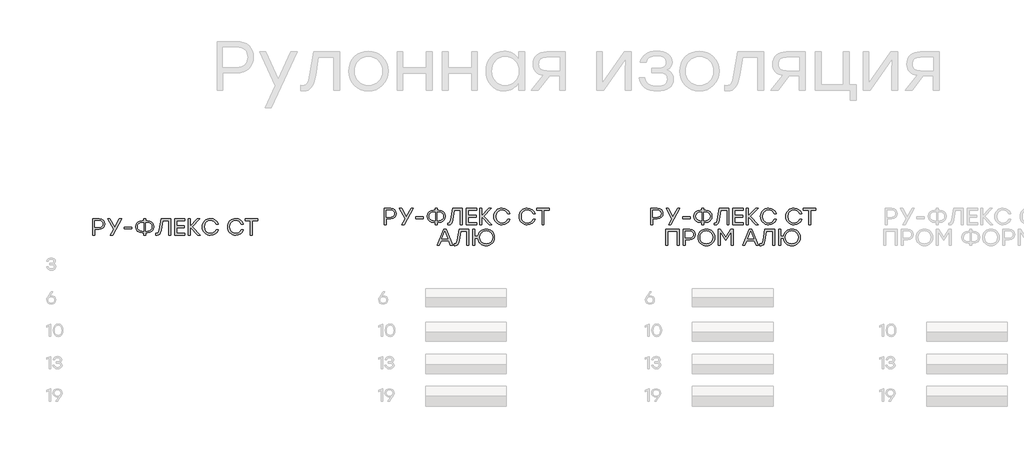
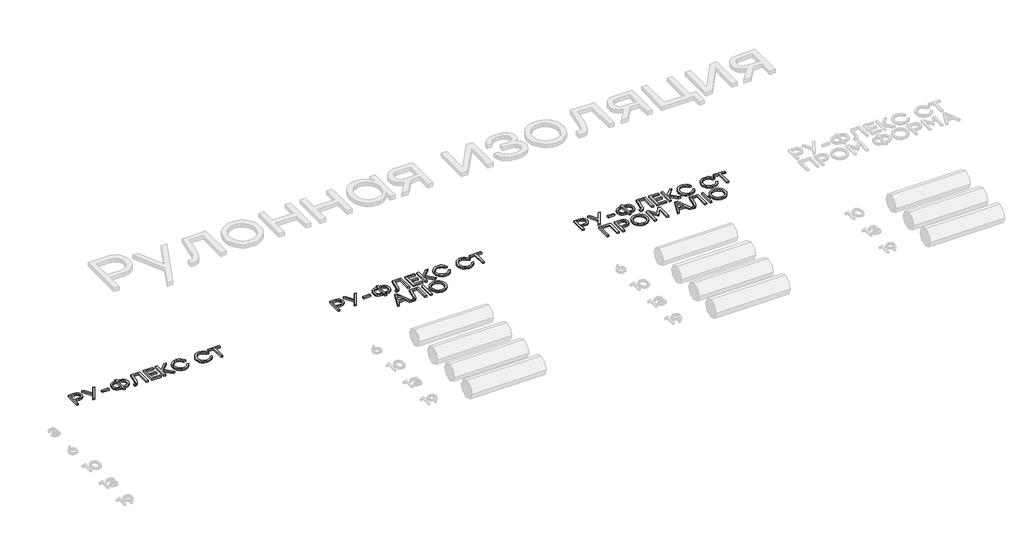
# One storey, part 39 of 41: 3 proxies.
"""IFC4 building model written with IfcOpenShell, lengths in millimetres."""

from ifc_helpers import new_model, si_unit, origin, origin_with_axes, place, context, project, spatial, polyline, outline, extrude, element, save

model = new_model("IFC4")

# Units and contexts
model_context = context("Model", 3, world=origin())
ifc_project = project(units=[si_unit("LENGTHUNIT", "METRE", prefix="MILLI")], contexts=[model_context])

# Site, building, storey
site = spatial("IfcSite", under=ifc_project)
building = spatial("IfcBuilding", under=site)
storey = spatial("IfcBuildingStorey", under=building, Elevation=0.0)

# Proxies
placement = place(None, origin())
element("IfcBuildingElementProxy", 1, Name="Generic Models", at=placement, inside=storey, context=model_context, shape_type="SweptSolid", body=[
    extrude(outline(polyline([(22078.8295884, -7492.7487549), (22107.8486602, -7497.2132275), (22129.713818, -7510.6066452), (22143.4299687, -7531.0598464), (22148.002019, -7556.7036694), (22143.3896271, -7582.7374613), (22129.5524516, -7603.6075259), (22107.6469521, -7617.3236766), (22078.8295884, -7621.8957268), (22022.2437431, -7621.8957268), (22022.2437431, -7692.7356111), (21998.5228707, -7692.7356111), (21998.5228707, -7492.7487549), (22078.8295884, -7492.7487549)]), holes=[polyline([(22077.9689671, -7599.3044198), (22097.8372149, -7596.3056927), (22112.2593439, -7587.3095115), (22121.0336462, -7573.7412801), (22123.9584136, -7557.0264023), (22121.0336462, -7540.3787606), (22112.2593439, -7527.0122372), (22097.8372149, -7518.2177641), (22077.9689671, -7515.2862731), (22022.2437431, -7515.2862731), (22022.2437431, -7599.3044198), (22077.9689671, -7599.3044198)])]), origin_with_axes(), (0.0, 0.0, 1.0), 20.0),
    extrude(outline(polyline([(22357.025398, -7492.7487549), (22243.9074963, -7692.7356111), (22217.0668719, -7692.7356111), (22258.4842682, -7620.1744844), (22185.6004086, -7492.7487549), (22212.4948217, -7492.7487549), (22271.6087418, -7594.7323695), (22330.4537178, -7492.7487549), (22357.025398, -7492.7487549)])), origin_with_axes(), (0.0, 0.0, 1.0), 20.0),
    extrude(outline(polyline([(22483.5905063, -7595.3240466), (22483.5905063, -7617.8615649), (22390.9661474, -7617.8615649), (22390.9661474, -7595.3240466), (22483.5905063, -7595.3240466)])), origin_with_axes(), (0.0, 0.0, 1.0), 20.0),
    extrude(outline(polyline([(22674.1643178, -7515.2862731), (22705.8123185, -7520.3962116), (22731.5838899, -7535.7260271), (22741.5734835, -7546.828377), (22748.7089075, -7559.6956728), (22754.4172467, -7590.725102), (22748.7425255, -7621.7545312), (22741.649124, -7634.6218269), (22731.718362, -7645.7241769), (22705.9804086, -7661.0539924), (22674.1643178, -7666.1639309), (22654.4238186, -7666.1639309), (22654.4238186, -7692.7356111), (22630.7029462, -7692.7356111), (22630.7029462, -7666.1639309), (22610.7472916, -7666.1639309), (22578.8908592, -7661.0539924), (22553.1394587, -7645.7241769), (22543.2086966, -7634.6218269), (22536.1152951, -7621.7545312), (22530.440574, -7590.725102), (22536.1556368, -7559.6956728), (22543.2994652, -7546.828377), (22553.3008251, -7535.7260271), (22579.0925673, -7520.3962116), (22610.7472916, -7515.2862731), (22630.7029462, -7515.2862731), (22630.7029462, -7492.7487549), (22654.4238186, -7492.7487549), (22654.4238186, -7515.2862731), (22674.1643178, -7515.2862731)]), holes=[polyline([(22674.1643178, -7643.5726238), (22696.7690721, -7640.1099681), (22714.8824593, -7629.7220011), (22726.7832371, -7613.0474649), (22730.7501631, -7590.725102), (22726.7832371, -7568.4027391), (22714.8824593, -7551.7282029), (22696.7690721, -7541.3402358), (22674.1643178, -7537.8775801), (22654.4238186, -7537.8775801), (22654.4238186, -7643.5726238), (22674.1643178, -7643.5726238)]), polyline([(22610.7472916, -7643.5726238), (22630.7029462, -7643.5726238), (22630.7029462, -7537.8775801), (22610.7472916, -7537.8775801), (22588.3442455, -7541.3402358), (22570.2980942, -7551.7282029), (22558.3973164, -7568.4027391), (22554.4303905, -7590.725102), (22558.3569748, -7613.0474649), (22570.1367278, -7629.7220011), (22588.1425374, -7640.1099681), (22610.7472916, -7643.5726238)])]), origin_with_axes(), (0.0, 0.0, 1.0), 20.0),
    extrude(outline(polyline([(22844.0832201, -7492.7487549), (22964.3550357, -7492.7487549), (22964.3550357, -7692.7356111), (22940.6341633, -7692.7356111), (22940.6341633, -7515.2862731), (22864.0388747, -7515.2862731), (22844.9438413, -7631.5777156), (22837.8437162, -7661.5986042), (22828.0541499, -7681.3054855), (22814.848993, -7692.2178936), (22797.5020965, -7695.855363), (22781.7957592, -7694.9947418), (22781.7957592, -7673.3178448), (22792.9300463, -7673.855733), (22803.6272991, -7671.5697079), (22811.1913528, -7664.7116326), (22821.4919131, -7630.1792061), (22844.0832201, -7492.7487549)])), origin_with_axes(), (0.0, 0.0, 1.0), 20.0),
    extrude(outline(polyline([(23140.9437524, -7515.2862731), (23037.7767836, -7515.2862731), (23037.7767836, -7578.7570881), (23134.0587827, -7578.7570881), (23134.0587827, -7601.2946064), (23037.7767836, -7601.2946064), (23037.7767836, -7670.144304), (23140.9437524, -7670.144304), (23140.9437524, -7692.7356111), (23014.0559112, -7692.7356111), (23014.0559112, -7492.7487549), (23140.9437524, -7492.7487549), (23140.9437524, -7515.2862731)])), origin_with_axes(), (0.0, 0.0, 1.0), 20.0),
    extrude(outline(polyline([(23327.5909797, -7692.7356111), (23297.0389263, -7692.7356111), (23203.016058, -7595.5929908), (23203.016058, -7692.7356111), (23179.2951856, -7692.7356111), (23179.2951856, -7492.7487549), (23203.016058, -7492.7487549), (23203.016058, -7586.4488903), (23293.9191744, -7492.7487549), (23324.2022836, -7492.7487549), (23229.5877382, -7590.7519964), (23327.5909797, -7692.7356111)])), origin_with_axes(), (0.0, 0.0, 1.0), 20.0),
    extrude(outline(polyline([(23456.630374, -7695.855363), (23435.4325337, -7694.0164575), (23416.107217, -7688.499741), (23398.6544237, -7679.3052135), (23383.074154, -7666.432875), (23370.260647, -7650.7920929), (23361.1081421, -7633.2922344), (23355.6166391, -7613.9332996), (23353.7861381, -7592.7152886), (23355.6166391, -7571.4972775), (23361.1081421, -7552.1383427), (23370.260647, -7534.6384843), (23383.074154, -7518.9977021), (23398.6544237, -7506.1253636), (23416.107217, -7496.9308361), (23435.4325337, -7491.4141196), (23456.630374, -7489.5752141), (23488.1102846, -7494.1136464), (23515.6367164, -7507.728943), (23537.3808494, -7528.982253), (23551.5138636, -7556.4347252), (23526.0717487, -7556.4347252), (23514.6080051, -7538.2272075), (23498.5049752, -7524.1614294), (23478.7577524, -7515.1652482), (23456.3614298, -7512.1665212), (23425.4597491, -7517.915202), (23400.2058952, -7535.1612444), (23383.3834398, -7561.0538407), (23377.7759546, -7592.742183), (23383.3834398, -7624.4305253), (23400.2058952, -7650.3231215), (23425.4597491, -7667.569164), (23456.3614298, -7673.3178448), (23478.7577524, -7670.3191177), (23498.5049752, -7661.3229365), (23514.6080051, -7647.2437112), (23526.0717487, -7628.9958519), (23551.5138636, -7628.9958519), (23537.3808494, -7656.4819421), (23515.6367164, -7677.7285285), (23488.1102846, -7691.3236544), (23456.630374, -7695.855363)])), origin_with_axes(), (0.0, 0.0, 1.0), 20.0),
    extrude(outline(polyline([(23769.8964983, -7695.855363), (23748.6986581, -7694.0164575), (23729.3733413, -7688.499741), (23711.9205481, -7679.3052135), (23696.3402784, -7666.432875), (23683.5267714, -7650.7920929), (23674.3742664, -7633.2922344), (23668.8827634, -7613.9332996), (23667.0522624, -7592.7152886), (23668.8827634, -7571.4972775), (23674.3742664, -7552.1383427), (23683.5267714, -7534.6384843), (23696.3402784, -7518.9977021), (23711.9205481, -7506.1253636), (23729.3733413, -7496.9308361), (23748.6986581, -7491.4141196), (23769.8964983, -7489.5752141), (23801.3764089, -7494.1136464), (23828.9028408, -7507.728943), (23850.6469738, -7528.982253), (23864.7799879, -7556.4347252), (23839.3378731, -7556.4347252), (23827.8741295, -7538.2272075), (23811.7710996, -7524.1614294), (23792.0238767, -7515.1652482), (23769.6275542, -7512.1665212), (23738.7258735, -7517.915202), (23713.4720195, -7535.1612444), (23696.6495641, -7561.0538407), (23691.042079, -7592.742183), (23696.6495641, -7624.4305253), (23713.4720195, -7650.3231215), (23738.7258735, -7667.569164), (23769.6275542, -7673.3178448), (23792.0238767, -7670.3191177), (23811.7710996, -7661.3229365), (23827.8741295, -7647.2437112), (23839.3378731, -7628.9958519), (23864.7799879, -7628.9958519), (23850.6469738, -7656.4819421), (23828.9028408, -7677.7285285), (23801.3764089, -7691.3236544), (23769.8964983, -7695.855363)])), origin_with_axes(), (0.0, 0.0, 1.0), 20.0),
    extrude(outline(polyline([(24039.701251, -7492.7487549), (24039.701251, -7515.2862731), (23975.1008706, -7515.2862731), (23975.1008706, -7692.7356111), (23951.1110541, -7692.7356111), (23951.1110541, -7515.2862731), (23886.8334067, -7515.2862731), (23886.8334067, -7492.7487549), (24039.701251, -7492.7487549)])), origin_with_axes(), (0.0, 0.0, 1.0), 20.0),
])
element("IfcBuildingElementProxy", 2, Name="Generic Models", at=placement, inside=storey, context=model_context, shape_type="SweptSolid", body=[
    extrude(outline(polyline([(25687.2580863, -7363.4876334), (25716.277158, -7367.952106), (25738.1423159, -7381.3455237), (25751.8584666, -7401.7987249), (25756.4305169, -7427.4425478), (25751.818125, -7453.4763398), (25737.9809495, -7474.3464044), (25716.0754499, -7488.0625551), (25687.2580863, -7492.6346053), (25630.672241, -7492.6346053), (25630.672241, -7563.4744896), (25606.9513686, -7563.4744896), (25606.9513686, -7363.4876334), (25687.2580863, -7363.4876334)]), holes=[polyline([(25686.397465, -7470.0432983), (25706.2657128, -7467.0445712), (25720.6878418, -7458.04839), (25729.4621441, -7444.4801586), (25732.3869115, -7427.7652808), (25729.4621441, -7411.1176391), (25720.6878418, -7397.7511157), (25706.2657128, -7388.9566426), (25686.397465, -7386.0251516), (25630.672241, -7386.0251516), (25630.672241, -7470.0432983), (25686.397465, -7470.0432983)])]), origin_with_axes(), (0.0, 0.0, 1.0), 20.0),
    extrude(outline(polyline([(25965.4538959, -7363.4876334), (25852.3359942, -7563.4744896), (25825.4953698, -7563.4744896), (25866.9127661, -7490.9133629), (25794.0289065, -7363.4876334), (25820.9233196, -7363.4876334), (25880.0372397, -7465.471248), (25938.8822157, -7363.4876334), (25965.4538959, -7363.4876334)])), origin_with_axes(), (0.0, 0.0, 1.0), 20.0),
    extrude(outline(polyline([(26092.0190041, -7466.0629251), (26092.0190041, -7488.6004433), (25999.3946453, -7488.6004433), (25999.3946453, -7466.0629251), (26092.0190041, -7466.0629251)])), origin_with_axes(), (0.0, 0.0, 1.0), 20.0),
    extrude(outline(polyline([(26282.5928157, -7386.0251516), (26314.2408164, -7391.1350901), (26340.0123878, -7406.4649056), (26350.0019814, -7417.5672555), (26357.1374054, -7430.4345513), (26362.8457446, -7461.4639805), (26357.1710234, -7492.4934096), (26350.0776219, -7505.3607054), (26340.1468599, -7516.4630554), (26314.4089065, -7531.7928709), (26282.5928157, -7536.9028094), (26262.8523165, -7536.9028094), (26262.8523165, -7563.4744896), (26239.1314441, -7563.4744896), (26239.1314441, -7536.9028094), (26219.1757895, -7536.9028094), (26187.3193571, -7531.7928709), (26161.5679565, -7516.4630554), (26151.6371945, -7505.3607054), (26144.543793, -7492.4934096), (26138.8690719, -7461.4639805), (26144.5841346, -7430.4345513), (26151.7279631, -7417.5672555), (26161.729323, -7406.4649056), (26187.5210652, -7391.1350901), (26219.1757895, -7386.0251516), (26239.1314441, -7386.0251516), (26239.1314441, -7363.4876334), (26262.8523165, -7363.4876334), (26262.8523165, -7386.0251516), (26282.5928157, -7386.0251516)]), holes=[polyline([(26282.5928157, -7514.3115023), (26305.19757, -7510.8488466), (26323.3109572, -7500.4608795), (26335.211735, -7483.7863434), (26339.178661, -7461.4639805), (26335.211735, -7439.1416176), (26323.3109572, -7422.4670814), (26305.19757, -7412.0791143), (26282.5928157, -7408.6164586), (26262.8523165, -7408.6164586), (26262.8523165, -7514.3115023), (26282.5928157, -7514.3115023)]), polyline([(26219.1757895, -7514.3115023), (26239.1314441, -7514.3115023), (26239.1314441, -7408.6164586), (26219.1757895, -7408.6164586), (26196.7727434, -7412.0791143), (26178.7265921, -7422.4670814), (26166.8258143, -7439.1416176), (26162.8588884, -7461.4639805), (26166.7854727, -7483.7863434), (26178.5652257, -7500.4608795), (26196.5710353, -7510.8488466), (26219.1757895, -7514.3115023)])]), origin_with_axes(), (0.0, 0.0, 1.0), 20.0),
    extrude(outline(polyline([(26452.511718, -7363.4876334), (26572.7835336, -7363.4876334), (26572.7835336, -7563.4744896), (26549.0626612, -7563.4744896), (26549.0626612, -7386.0251516), (26472.4673725, -7386.0251516), (26453.3723392, -7502.3165941), (26446.2722141, -7532.3374827), (26436.4826478, -7552.044364), (26423.2774909, -7562.9567721), (26405.9305944, -7566.5942415), (26390.2242571, -7565.7336203), (26390.2242571, -7544.0567233), (26401.3585442, -7544.5946115), (26412.055797, -7542.3085864), (26419.6198507, -7535.4505111), (26429.9204109, -7500.9180846), (26452.511718, -7363.4876334)])), origin_with_axes(), (0.0, 0.0, 1.0), 20.0),
    extrude(outline(polyline([(26749.3722503, -7386.0251516), (26646.2052815, -7386.0251516), (26646.2052815, -7449.4959666), (26742.4872806, -7449.4959666), (26742.4872806, -7472.0334848), (26646.2052815, -7472.0334848), (26646.2052815, -7540.8831825), (26749.3722503, -7540.8831825), (26749.3722503, -7563.4744896), (26622.4844091, -7563.4744896), (26622.4844091, -7363.4876334), (26749.3722503, -7363.4876334), (26749.3722503, -7386.0251516)])), origin_with_axes(), (0.0, 0.0, 1.0), 20.0),
    extrude(outline(polyline([(26936.0194776, -7563.4744896), (26905.4674242, -7563.4744896), (26811.4445559, -7466.3318693), (26811.4445559, -7563.4744896), (26787.7236835, -7563.4744896), (26787.7236835, -7363.4876334), (26811.4445559, -7363.4876334), (26811.4445559, -7457.1877688), (26902.3476723, -7363.4876334), (26932.6307815, -7363.4876334), (26838.0162361, -7461.4908749), (26936.0194776, -7563.4744896)])), origin_with_axes(), (0.0, 0.0, 1.0), 20.0),
    extrude(outline(polyline([(27065.0588719, -7566.5942415), (27043.8610316, -7564.755336), (27024.5357149, -7559.2386195), (27007.0829216, -7550.044092), (26991.5026519, -7537.1717535), (26978.6891449, -7521.5309713), (26969.53664, -7504.0311129), (26964.045137, -7484.6721781), (26962.214636, -7463.4541671), (26964.045137, -7442.236156), (26969.53664, -7422.8772212), (26978.6891449, -7405.3773628), (26991.5026519, -7389.7365806), (27007.0829216, -7376.8642421), (27024.5357149, -7367.6697146), (27043.8610316, -7362.1529981), (27065.0588719, -7360.3140926), (27096.5387825, -7364.8525248), (27124.0652143, -7378.4678215), (27145.8093473, -7399.7211315), (27159.9423615, -7427.1736037), (27134.5002466, -7427.1736037), (27123.036503, -7408.966086), (27106.9334731, -7394.9003079), (27087.1862503, -7385.9041267), (27064.7899277, -7382.9053997), (27033.888247, -7388.6540805), (27008.6343931, -7405.9001229), (26991.8119377, -7431.7927192), (26986.2044525, -7463.4810615), (26991.8119377, -7495.1694038), (27008.6343931, -7521.062), (27033.888247, -7538.3080424), (27064.7899277, -7544.0567233), (27087.1862503, -7541.0579962), (27106.9334731, -7532.061815), (27123.036503, -7517.9825897), (27134.5002466, -7499.7347304), (27159.9423615, -7499.7347304), (27145.8093473, -7527.2208206), (27124.0652143, -7548.467407), (27096.5387825, -7562.0625329), (27065.0588719, -7566.5942415)])), origin_with_axes(), (0.0, 0.0, 1.0), 20.0),
    extrude(outline(polyline([(27378.3249962, -7566.5942415), (27357.127156, -7564.755336), (27337.8018392, -7559.2386195), (27320.349046, -7550.044092), (27304.7687763, -7537.1717535), (27291.9552693, -7521.5309713), (27282.8027643, -7504.0311129), (27277.3112613, -7484.6721781), (27275.4807603, -7463.4541671), (27277.3112613, -7442.236156), (27282.8027643, -7422.8772212), (27291.9552693, -7405.3773628), (27304.7687763, -7389.7365806), (27320.349046, -7376.8642421), (27337.8018392, -7367.6697146), (27357.127156, -7362.1529981), (27378.3249962, -7360.3140926), (27409.8049068, -7364.8525248), (27437.3313387, -7378.4678215), (27459.0754717, -7399.7211315), (27473.2084858, -7427.1736037), (27447.766371, -7427.1736037), (27436.3026274, -7408.966086), (27420.1995975, -7394.9003079), (27400.4523746, -7385.9041267), (27378.0560521, -7382.9053997), (27347.1543714, -7388.6540805), (27321.9005174, -7405.9001229), (27305.078062, -7431.7927192), (27299.4705769, -7463.4810615), (27305.078062, -7495.1694038), (27321.9005174, -7521.062), (27347.1543714, -7538.3080424), (27378.0560521, -7544.0567233), (27400.4523746, -7541.0579962), (27420.1995975, -7532.061815), (27436.3026274, -7517.9825897), (27447.766371, -7499.7347304), (27473.2084858, -7499.7347304), (27459.0754717, -7527.2208206), (27437.3313387, -7548.467407), (27409.8049068, -7562.0625329), (27378.3249962, -7566.5942415)])), origin_with_axes(), (0.0, 0.0, 1.0), 20.0),
    extrude(outline(polyline([(27648.1297489, -7363.4876334), (27648.1297489, -7386.0251516), (27583.5293685, -7386.0251516), (27583.5293685, -7563.4744896), (27559.539552, -7563.4744896), (27559.539552, -7386.0251516), (27495.2619046, -7386.0251516), (27495.2619046, -7363.4876334), (27648.1297489, -7363.4876334)])), origin_with_axes(), (0.0, 0.0, 1.0), 20.0),
    extrude(outline(polyline([(26426.5317149, -7821.9967326), (26402.8108425, -7761.9684024), (26309.9713283, -7761.9684024), (26286.2504559, -7821.9967326), (26261.131074, -7821.9967326), (26341.1150587, -7622.0098764), (26371.6671121, -7622.0098764), (26451.7048856, -7821.9967326), (26426.5317149, -7821.9967326)]), holes=[polyline([(26319.1154288, -7739.4308842), (26393.989475, -7739.4308842), (26356.5524519, -7644.5473946), (26319.1154288, -7739.4308842)])]), origin_with_axes(), (0.0, 0.0, 1.0), 20.0),
    extrude(outline(polyline([(26533.4101127, -7622.0098764), (26653.6819283, -7622.0098764), (26653.6819283, -7821.9967326), (26629.9610559, -7821.9967326), (26629.9610559, -7644.5473946), (26553.3657673, -7644.5473946), (26534.270734, -7760.8388371), (26527.1706089, -7790.8597257), (26517.3810425, -7810.566607), (26504.1758856, -7821.4790151), (26486.8289892, -7825.1164845), (26471.1226519, -7824.2558633), (26471.1226519, -7802.5789663), (26482.2569389, -7803.1168545), (26492.9541918, -7800.8308294), (26500.5182455, -7793.9727541), (26510.8188057, -7759.4403276), (26533.4101127, -7622.0098764)])), origin_with_axes(), (0.0, 0.0, 1.0), 20.0),
    extrude(outline(polyline([(26867.7076682, -7618.8363356), (26888.6953958, -7620.6853265), (26907.928263, -7626.2322993), (26925.4062698, -7635.4772538), (26941.1294161, -7648.4201901), (26954.1194176, -7664.1130802), (26963.3979902, -7681.6078959), (26968.9651337, -7700.9046374), (26970.8208482, -7722.0033045), (26968.9651337, -7743.1002907), (26963.3979902, -7762.3919894), (26954.1194176, -7779.8784007), (26941.1294161, -7795.5595244), (26925.4062698, -7808.4906945), (26907.928263, -7817.7272445), (26888.6953958, -7823.2691745), (26867.7076682, -7825.1164845), (26848.1503871, -7823.5011388), (26830.035319, -7818.6551017), (26813.3624637, -7810.5783733), (26798.1318214, -7799.2709535), (26785.1872041, -7785.482524), (26775.3724242, -7769.9627667), (26768.6874817, -7752.7116816), (26765.1323764, -7733.7292686), (26727.1036762, -7733.7292686), (26727.1036762, -7821.9967326), (26703.3828038, -7821.9967326), (26703.3828038, -7622.0098764), (26727.1036762, -7622.0098764), (26727.1036762, -7710.8690174), (26764.8634323, -7710.8690174), (26768.4168566, -7691.7353234), (26775.0967565, -7674.353128), (26784.9031319, -7658.7224312), (26797.8359828, -7644.8432332), (26813.0750297, -7633.4652155), (26829.7999928, -7625.33806), (26848.0108723, -7620.4617667), (26867.7076682, -7618.8363356)]), holes=[polyline([(26811.2294006, -7779.6111374), (26836.7253042, -7796.8370091), (26867.7076682, -7802.5789663), (26898.6765849, -7796.8302855), (26924.132147, -7779.584243), (26941.1563105, -7753.6916468), (26946.8310317, -7722.0033045), (26941.1563105, -7690.3149622), (26924.132147, -7664.4223659), (26898.6765849, -7647.1763235), (26867.7076682, -7641.4276427), (26836.7320278, -7647.1763235), (26811.256295, -7664.4223659), (26794.1447246, -7690.3149622), (26788.2615717, -7722.0033045), (26794.138001, -7753.6983704), (26811.2294006, -7779.6111374)])]), origin_with_axes(), (0.0, 0.0, 1.0), 20.0),
])
element("IfcBuildingElementProxy", 3, Name="Generic Models", at=placement, inside=storey, context=model_context, shape_type="SweptSolid", body=[
    extrude(outline(polyline([(28987.2580863, -7363.4876334), (29016.277158, -7367.952106), (29038.1423159, -7381.3455237), (29051.8584666, -7401.7987249), (29056.4305169, -7427.4425478), (29051.818125, -7453.4763398), (29037.9809495, -7474.3464044), (29016.0754499, -7488.0625551), (28987.2580863, -7492.6346053), (28930.672241, -7492.6346053), (28930.672241, -7563.4744896), (28906.9513686, -7563.4744896), (28906.9513686, -7363.4876334), (28987.2580863, -7363.4876334)]), holes=[polyline([(28986.397465, -7470.0432983), (29006.2657128, -7467.0445712), (29020.6878418, -7458.04839), (29029.4621441, -7444.4801586), (29032.3869115, -7427.7652808), (29029.4621441, -7411.1176391), (29020.6878418, -7397.7511157), (29006.2657128, -7388.9566426), (28986.397465, -7386.0251516), (28930.672241, -7386.0251516), (28930.672241, -7470.0432983), (28986.397465, -7470.0432983)])]), origin_with_axes(), (0.0, 0.0, 1.0), 20.0),
    extrude(outline(polyline([(29265.4538959, -7363.4876334), (29152.3359942, -7563.4744896), (29125.4953698, -7563.4744896), (29166.9127661, -7490.9133629), (29094.0289065, -7363.4876334), (29120.9233196, -7363.4876334), (29180.0372397, -7465.471248), (29238.8822157, -7363.4876334), (29265.4538959, -7363.4876334)])), origin_with_axes(), (0.0, 0.0, 1.0), 20.0),
    extrude(outline(polyline([(29392.0190041, -7466.0629251), (29392.0190041, -7488.6004433), (29299.3946453, -7488.6004433), (29299.3946453, -7466.0629251), (29392.0190041, -7466.0629251)])), origin_with_axes(), (0.0, 0.0, 1.0), 20.0),
    extrude(outline(polyline([(29582.5928157, -7386.0251516), (29614.2408164, -7391.1350901), (29640.0123878, -7406.4649056), (29650.0019814, -7417.5672555), (29657.1374054, -7430.4345513), (29662.8457446, -7461.4639805), (29657.1710234, -7492.4934096), (29650.0776219, -7505.3607054), (29640.1468599, -7516.4630554), (29614.4089065, -7531.7928709), (29582.5928157, -7536.9028094), (29562.8523165, -7536.9028094), (29562.8523165, -7563.4744896), (29539.1314441, -7563.4744896), (29539.1314441, -7536.9028094), (29519.1757895, -7536.9028094), (29487.3193571, -7531.7928709), (29461.5679565, -7516.4630554), (29451.6371945, -7505.3607054), (29444.543793, -7492.4934096), (29438.8690719, -7461.4639805), (29444.5841346, -7430.4345513), (29451.7279631, -7417.5672555), (29461.729323, -7406.4649056), (29487.5210652, -7391.1350901), (29519.1757895, -7386.0251516), (29539.1314441, -7386.0251516), (29539.1314441, -7363.4876334), (29562.8523165, -7363.4876334), (29562.8523165, -7386.0251516), (29582.5928157, -7386.0251516)]), holes=[polyline([(29582.5928157, -7514.3115023), (29605.19757, -7510.8488466), (29623.3109572, -7500.4608795), (29635.211735, -7483.7863434), (29639.178661, -7461.4639805), (29635.211735, -7439.1416176), (29623.3109572, -7422.4670814), (29605.19757, -7412.0791143), (29582.5928157, -7408.6164586), (29562.8523165, -7408.6164586), (29562.8523165, -7514.3115023), (29582.5928157, -7514.3115023)]), polyline([(29519.1757895, -7514.3115023), (29539.1314441, -7514.3115023), (29539.1314441, -7408.6164586), (29519.1757895, -7408.6164586), (29496.7727434, -7412.0791143), (29478.7265921, -7422.4670814), (29466.8258143, -7439.1416176), (29462.8588884, -7461.4639805), (29466.7854727, -7483.7863434), (29478.5652257, -7500.4608795), (29496.5710353, -7510.8488466), (29519.1757895, -7514.3115023)])]), origin_with_axes(), (0.0, 0.0, 1.0), 20.0),
    extrude(outline(polyline([(29752.511718, -7363.4876334), (29872.7835336, -7363.4876334), (29872.7835336, -7563.4744896), (29849.0626612, -7563.4744896), (29849.0626612, -7386.0251516), (29772.4673725, -7386.0251516), (29753.3723392, -7502.3165941), (29746.2722141, -7532.3374827), (29736.4826478, -7552.044364), (29723.2774909, -7562.9567721), (29705.9305944, -7566.5942415), (29690.2242571, -7565.7336203), (29690.2242571, -7544.0567233), (29701.3585442, -7544.5946115), (29712.055797, -7542.3085864), (29719.6198507, -7535.4505111), (29729.9204109, -7500.9180846), (29752.511718, -7363.4876334)])), origin_with_axes(), (0.0, 0.0, 1.0), 20.0),
    extrude(outline(polyline([(30049.3722503, -7386.0251516), (29946.2052815, -7386.0251516), (29946.2052815, -7449.4959666), (30042.4872806, -7449.4959666), (30042.4872806, -7472.0334848), (29946.2052815, -7472.0334848), (29946.2052815, -7540.8831825), (30049.3722503, -7540.8831825), (30049.3722503, -7563.4744896), (29922.4844091, -7563.4744896), (29922.4844091, -7363.4876334), (30049.3722503, -7363.4876334), (30049.3722503, -7386.0251516)])), origin_with_axes(), (0.0, 0.0, 1.0), 20.0),
    extrude(outline(polyline([(30236.0194776, -7563.4744896), (30205.4674242, -7563.4744896), (30111.4445559, -7466.3318693), (30111.4445559, -7563.4744896), (30087.7236835, -7563.4744896), (30087.7236835, -7363.4876334), (30111.4445559, -7363.4876334), (30111.4445559, -7457.1877688), (30202.3476723, -7363.4876334), (30232.6307815, -7363.4876334), (30138.0162361, -7461.4908749), (30236.0194776, -7563.4744896)])), origin_with_axes(), (0.0, 0.0, 1.0), 20.0),
    extrude(outline(polyline([(30365.0588719, -7566.5942415), (30343.8610316, -7564.755336), (30324.5357149, -7559.2386195), (30307.0829216, -7550.044092), (30291.5026519, -7537.1717535), (30278.6891449, -7521.5309713), (30269.53664, -7504.0311129), (30264.045137, -7484.6721781), (30262.214636, -7463.4541671), (30264.045137, -7442.236156), (30269.53664, -7422.8772212), (30278.6891449, -7405.3773628), (30291.5026519, -7389.7365806), (30307.0829216, -7376.8642421), (30324.5357149, -7367.6697146), (30343.8610316, -7362.1529981), (30365.0588719, -7360.3140926), (30396.5387825, -7364.8525248), (30424.0652143, -7378.4678215), (30445.8093473, -7399.7211315), (30459.9423615, -7427.1736037), (30434.5002466, -7427.1736037), (30423.036503, -7408.966086), (30406.9334731, -7394.9003079), (30387.1862503, -7385.9041267), (30364.7899277, -7382.9053997), (30333.888247, -7388.6540805), (30308.6343931, -7405.9001229), (30291.8119377, -7431.7927192), (30286.2044525, -7463.4810615), (30291.8119377, -7495.1694038), (30308.6343931, -7521.062), (30333.888247, -7538.3080424), (30364.7899277, -7544.0567233), (30387.1862503, -7541.0579962), (30406.9334731, -7532.061815), (30423.036503, -7517.9825897), (30434.5002466, -7499.7347304), (30459.9423615, -7499.7347304), (30445.8093473, -7527.2208206), (30424.0652143, -7548.467407), (30396.5387825, -7562.0625329), (30365.0588719, -7566.5942415)])), origin_with_axes(), (0.0, 0.0, 1.0), 20.0),
    extrude(outline(polyline([(30678.3249962, -7566.5942415), (30657.127156, -7564.755336), (30637.8018392, -7559.2386195), (30620.349046, -7550.044092), (30604.7687763, -7537.1717535), (30591.9552693, -7521.5309713), (30582.8027643, -7504.0311129), (30577.3112613, -7484.6721781), (30575.4807603, -7463.4541671), (30577.3112613, -7442.236156), (30582.8027643, -7422.8772212), (30591.9552693, -7405.3773628), (30604.7687763, -7389.7365806), (30620.349046, -7376.8642421), (30637.8018392, -7367.6697146), (30657.127156, -7362.1529981), (30678.3249962, -7360.3140926), (30709.8049068, -7364.8525248), (30737.3313387, -7378.4678215), (30759.0754717, -7399.7211315), (30773.2084858, -7427.1736037), (30747.766371, -7427.1736037), (30736.3026274, -7408.966086), (30720.1995975, -7394.9003079), (30700.4523746, -7385.9041267), (30678.0560521, -7382.9053997), (30647.1543714, -7388.6540805), (30621.9005174, -7405.9001229), (30605.078062, -7431.7927192), (30599.4705769, -7463.4810615), (30605.078062, -7495.1694038), (30621.9005174, -7521.062), (30647.1543714, -7538.3080424), (30678.0560521, -7544.0567233), (30700.4523746, -7541.0579962), (30720.1995975, -7532.061815), (30736.3026274, -7517.9825897), (30747.766371, -7499.7347304), (30773.2084858, -7499.7347304), (30759.0754717, -7527.2208206), (30737.3313387, -7548.467407), (30709.8049068, -7562.0625329), (30678.3249962, -7566.5942415)])), origin_with_axes(), (0.0, 0.0, 1.0), 20.0),
    extrude(outline(polyline([(30948.1297489, -7363.4876334), (30948.1297489, -7386.0251516), (30883.5293685, -7386.0251516), (30883.5293685, -7563.4744896), (30859.539552, -7563.4744896), (30859.539552, -7386.0251516), (30795.2619046, -7386.0251516), (30795.2619046, -7363.4876334), (30948.1297489, -7363.4876334)])), origin_with_axes(), (0.0, 0.0, 1.0), 20.0),
    extrude(outline(polyline([(29256.3097954, -7622.0098764), (29256.3097954, -7821.9967326), (29232.588923, -7821.9967326), (29232.588923, -7644.5473946), (29116.5664247, -7644.5473946), (29116.5664247, -7821.9967326), (29092.8455523, -7821.9967326), (29092.8455523, -7622.0098764), (29116.5664247, -7622.0098764), (29256.3097954, -7622.0098764)])), origin_with_axes(), (0.0, 0.0, 1.0), 20.0),
    extrude(outline(polyline([(29386.5863327, -7622.0098764), (29415.6054045, -7626.474349), (29437.4705624, -7639.8677667), (29451.1867131, -7660.3209679), (29455.7587633, -7685.9647909), (29451.1463715, -7711.9985828), (29437.3091959, -7732.8686474), (29415.4036964, -7746.5847981), (29386.5863327, -7751.1568483), (29330.0004874, -7751.1568483), (29330.0004874, -7821.9967326), (29306.279615, -7821.9967326), (29306.279615, -7622.0098764), (29386.5863327, -7622.0098764)]), holes=[polyline([(29385.7257115, -7728.5655413), (29405.5939592, -7725.5668142), (29420.0160882, -7716.570633), (29428.7903905, -7703.0024016), (29431.715158, -7686.2875238), (29428.7903905, -7669.6398821), (29420.0160882, -7656.2733587), (29405.5939592, -7647.4788856), (29385.7257115, -7644.5473946), (29330.0004874, -7644.5473946), (29330.0004874, -7728.5655413), (29385.7257115, -7728.5655413)])]), origin_with_axes(), (0.0, 0.0, 1.0), 20.0),
    extrude(outline(polyline([(29520.3591437, -7648.4201901), (29536.1528878, -7635.4772538), (29553.6813216, -7626.2322993), (29572.944445, -7620.6853265), (29593.9422581, -7618.8363356), (29614.9215812, -7620.6853265), (29634.1292349, -7626.2322993), (29651.5652191, -7635.4772538), (29667.2295339, -7648.4201901), (29680.1607039, -7664.1130802), (29689.3972539, -7681.6078959), (29694.9391839, -7700.9046374), (29696.7864939, -7722.0033045), (29694.9290985, -7743.1002907), (29689.3569123, -7762.3919894), (29680.0699353, -7779.8784007), (29667.0681674, -7795.5595244), (29651.3349357, -7808.4906945), (29633.8535672, -7817.7272445), (29614.6240618, -7823.2691745), (29593.6464195, -7825.1164845), (29572.6687773, -7823.2691745), (29553.4392719, -7817.7272445), (29535.9579033, -7808.4906945), (29520.2246716, -7795.5595244), (29507.2229038, -7779.8784007), (29497.9359267, -7762.3919894), (29492.3637405, -7743.1002907), (29490.5063451, -7722.0033045), (29492.372145, -7700.9046374), (29497.9695447, -7681.6078959), (29507.2985443, -7664.1130802), (29520.3591437, -7648.4201901)]), holes=[polyline([(29593.6733139, -7641.4276427), (29562.8657637, -7647.2099415), (29537.3564128, -7664.556838), (29520.2112244, -7690.4763287), (29514.4961616, -7721.9764101), (29520.2112244, -7753.4832151), (29537.3564128, -7779.4228765), (29562.8657637, -7796.7899438), (29593.6733139, -7802.5789663), (29624.6422307, -7796.8302855), (29650.0977927, -7779.584243), (29667.1219562, -7753.6916468), (29672.7966774, -7722.0033045), (29667.1219562, -7690.3149622), (29650.0977927, -7664.4223659), (29624.6422307, -7647.1763235), (29593.6733139, -7641.4276427)])]), origin_with_axes(), (0.0, 0.0, 1.0), 20.0),
    extrude(outline(polyline([(29894.6217971, -7622.0098764), (29923.7753409, -7622.0098764), (29923.7753409, -7821.9967326), (29900.0544685, -7821.9967326), (29900.0544685, -7652.5619297), (29832.3343362, -7754.8682773), (29830.0752055, -7754.8682773), (29762.3550732, -7652.5619297), (29762.3550732, -7821.9967326), (29738.6342008, -7821.9967326), (29738.6342008, -7622.0098764), (29767.7877447, -7622.0098764), (29831.2047709, -7717.4312542), (29894.6217971, -7622.0098764)])), origin_with_axes(), (0.0, 0.0, 1.0), 20.0),
    extrude(outline(polyline([(30210.200841, -7821.9967326), (30186.4799686, -7761.9684024), (30093.6404544, -7761.9684024), (30069.919582, -7821.9967326), (30044.8002001, -7821.9967326), (30124.7841848, -7622.0098764), (30155.3362381, -7622.0098764), (30235.3740117, -7821.9967326), (30210.200841, -7821.9967326)]), holes=[polyline([(30102.7845548, -7739.4308842), (30177.658601, -7739.4308842), (30140.2215779, -7644.5473946), (30102.7845548, -7739.4308842)])]), origin_with_axes(), (0.0, 0.0, 1.0), 20.0),
    extrude(outline(polyline([(30317.0792388, -7622.0098764), (30437.3510544, -7622.0098764), (30437.3510544, -7821.9967326), (30413.630182, -7821.9967326), (30413.630182, -7644.5473946), (30337.0348934, -7644.5473946), (30317.93986, -7760.8388371), (30310.839735, -7790.8597257), (30301.0501686, -7810.566607), (30287.8450117, -7821.4790151), (30270.4981152, -7825.1164845), (30254.791778, -7824.2558633), (30254.791778, -7802.5789663), (30265.926065, -7803.1168545), (30276.6233178, -7800.8308294), (30284.1873715, -7793.9727541), (30294.4879318, -7759.4403276), (30317.0792388, -7622.0098764)])), origin_with_axes(), (0.0, 0.0, 1.0), 20.0),
    extrude(outline(polyline([(30651.3767942, -7618.8363356), (30672.3645219, -7620.6853265), (30691.5973891, -7626.2322993), (30709.0753959, -7635.4772538), (30724.7985421, -7648.4201901), (30737.7885437, -7664.1130802), (30747.0671162, -7681.6078959), (30752.6342597, -7700.9046374), (30754.4899743, -7722.0033045), (30752.6342597, -7743.1002907), (30747.0671162, -7762.3919894), (30737.7885437, -7779.8784007), (30724.7985421, -7795.5595244), (30709.0753959, -7808.4906945), (30691.5973891, -7817.7272445), (30672.3645219, -7823.2691745), (30651.3767942, -7825.1164845), (30631.8195132, -7823.5011388), (30613.704445, -7818.6551017), (30597.0315898, -7810.5783733), (30581.8009474, -7799.2709535), (30568.8563302, -7785.482524), (30559.0415503, -7769.9627667), (30552.3566077, -7752.7116816), (30548.8015025, -7733.7292686), (30510.7728023, -7733.7292686), (30510.7728023, -7821.9967326), (30487.0519299, -7821.9967326), (30487.0519299, -7622.0098764), (30510.7728023, -7622.0098764), (30510.7728023, -7710.8690174), (30548.5325584, -7710.8690174), (30552.0859827, -7691.7353234), (30558.7658826, -7674.353128), (30568.572258, -7658.7224312), (30581.5051089, -7644.8432332), (30596.7441557, -7633.4652155), (30613.4691189, -7625.33806), (30631.6799984, -7620.4617667), (30651.3767942, -7618.8363356)]), holes=[polyline([(30594.8985266, -7779.6111374), (30620.3944303, -7796.8370091), (30651.3767942, -7802.5789663), (30682.345711, -7796.8302855), (30707.801273, -7779.584243), (30724.8254366, -7753.6916468), (30730.5001577, -7722.0033045), (30724.8254366, -7690.3149622), (30707.801273, -7664.4223659), (30682.345711, -7647.1763235), (30651.3767942, -7641.4276427), (30620.4011539, -7647.1763235), (30594.925421, -7664.4223659), (30577.8138507, -7690.3149622), (30571.9306978, -7722.0033045), (30577.8071271, -7753.6983704), (30594.8985266, -7779.6111374)])]), origin_with_axes(), (0.0, 0.0, 1.0), 20.0),
])

save(model, "model.ifc")
